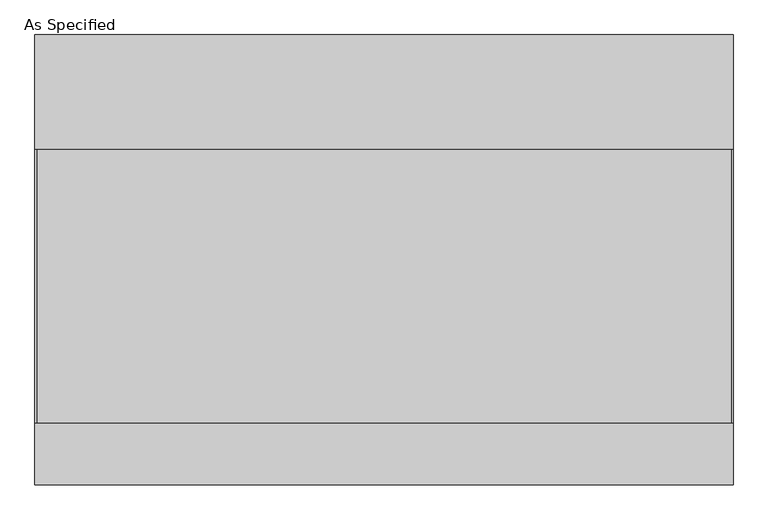
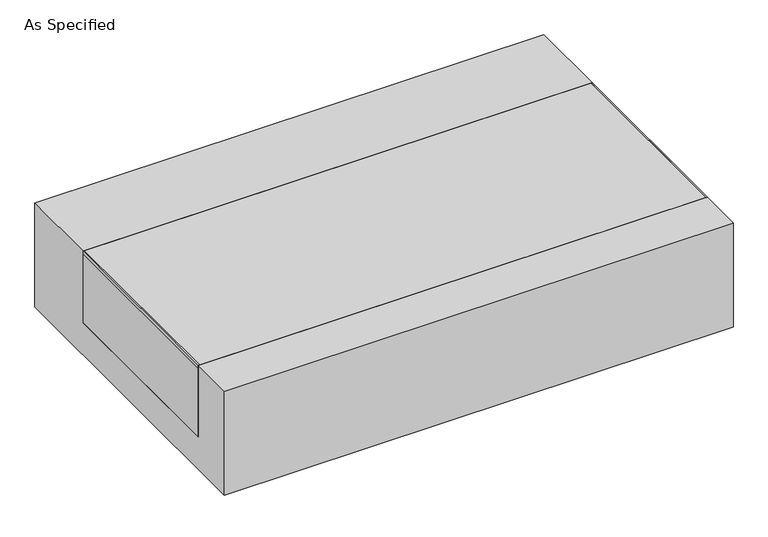
"""IFC4 building model written with IfcOpenShell, lengths in millimetres: proxy geometry, As Specified."""

from ifc_helpers import new_model, si_unit, point, frame, frame_2d, origin, place, context, project, spatial, polyline, circle_curve, trimmed, segment, composite_curve, outline, extrude, source, transform, mapped, element, save


def as_specified_cbec7cc3(model_context):
    return source(origin(), model_context, "Body", "SweptSolid", [
        extrude(outline(composite_curve([segment(trimmed(circle_curve(frame_2d((846.8125, -702.475)), 10.5), [point((846.8125, -712.975))], [point((846.8125, -691.975))], False, "CARTESIAN"), True, "CONTINUOUS"), segment(trimmed(circle_curve(frame_2d((846.8125, -702.475)), 10.5), [point((846.8125, -691.975))], [point((846.8125, -712.975))], False, "CARTESIAN"), True, "CONTINUOUS")], self_intersect=False)), frame((0.0, 0.0, -562.225), z_axis=(0.0, 0.0, 1.0), x_axis=(1.0, 0.0, 0.0)), (0.0, 0.0, 1.0), 32.0),
        extrude(outline(polyline([(-1161.25625, -546.1), (-1166.8125, -546.1), (-1166.8125, 368.3), (-1161.25625, 368.3), (-1161.25625, -546.1)])), frame((0.0, 0.0, -39.6875), z_axis=(0.0, 0.0, 1.0), x_axis=(1.0, 0.0, 0.0)), (0.0, 0.0, 1.0), 14.2875),
        extrude(outline(polyline([(1162.84375, 368.3), (1166.8125, 368.3), (1166.8125, -546.1), (1162.84375, -546.1), (1162.84375, 368.3)])), frame((0.0, 0.0, -39.6875), z_axis=(0.0, 0.0, 1.0), x_axis=(1.0, 0.0, 0.0)), (0.0, 0.0, 1.0), 14.2875),
        extrude(outline(polyline([(1166.8125, 368.3), (1166.8125, -546.1), (-1166.8125, -546.1), (-1166.8125, 368.3), (1166.8125, 368.3)])), frame((0.0, 0.0, -373.0625), z_axis=(0.0, 0.0, 1.0), x_axis=(1.0, 0.0, 0.0)), (0.0, 0.0, 1.0), 347.6625),
        extrude(outline(polyline([(752.475, -25.4), (752.475, -530.225), (-752.475, -530.225), (-752.475, -25.4), (-546.1, -25.4), (-546.1, -373.0625), (368.3, -373.0625), (368.3, -25.4), (752.475, -25.4)])), frame((-1166.8125, 0.0, 0.0), z_axis=(1.0, 0.0, 0.0), x_axis=(0.0, 1.0, 0.0)), (0.0, 0.0, 1.0), 2333.625),
    ])


if __name__ == "__main__":
    model = new_model("IFC4")
    model_context = context("Model", 3, world=origin())
    ifc_project = project(units=[si_unit("LENGTHUNIT", "METRE", prefix="MILLI")], contexts=[model_context])
    site = spatial("IfcSite", under=ifc_project)
    building = spatial("IfcBuilding", under=site)
    placement = place(None, origin())
    as_specified_shape = as_specified_cbec7cc3(model_context)
    element("IfcBuildingElementProxy", 1, Name="As Specified", ObjectType="As Specified", at=placement, inside=building, context=model_context, shape_type="MappedRepresentation", body=[
        mapped(as_specified_shape, transform((0.0, 0.0, 0.0), x_axis=(1.0, 0.0, 0.0), y_axis=(0.0, 1.0, 0.0), z_axis=(0.0, 0.0, 1.0))),
    ])
    save(model, "model.ifc")
